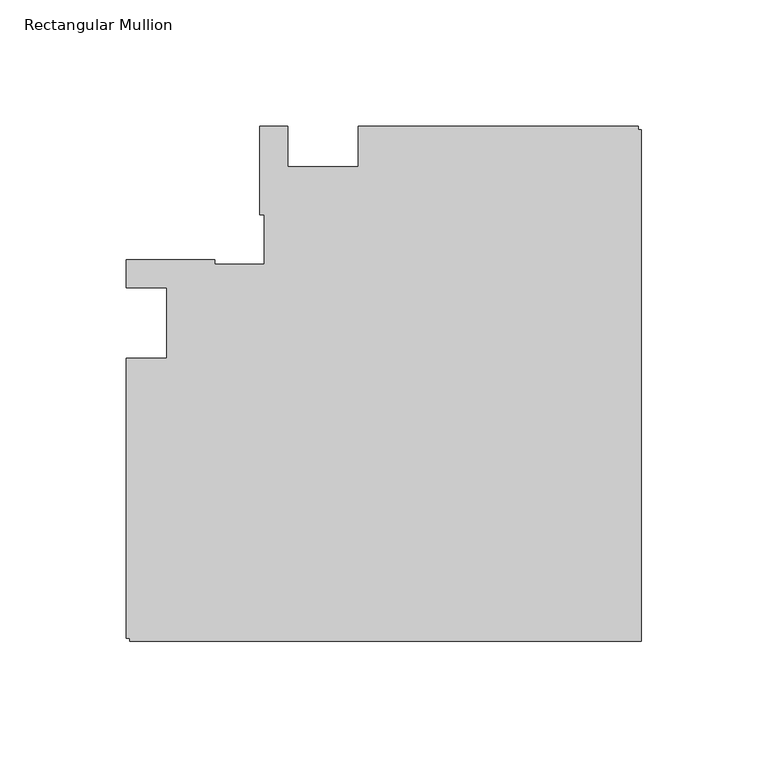
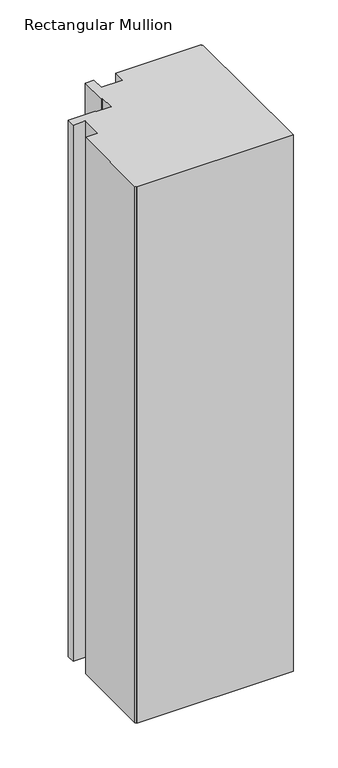
"""IFC4 building model written with IfcOpenShell, lengths in millimetres: member geometry, Rectangular Mullion."""

from ifc_helpers import new_model, si_unit, frame, origin, place, context, project, spatial, polyline, outline, extrude, source, transform, mapped, element, save


def rectangular_mullion_c2b5b50c(model_context):
    return source(origin(), model_context, "Body", "SweptSolid", [
        extrude(outline(polyline([(-112.2039366, 78.0481273), (-1.2039366, 78.0481273), (-1.2039366, 76.548142), (0.0, 76.548142), (0.0, -126.155816), (-202.703958, -126.155816), (-202.703958, -124.9518583), (-204.2039408, -124.9518583), (-204.2039408, -13.95177), (-188.2039146, -13.95177), (-188.2039146, 14.0481206), (-204.2039408, 14.0481206), (-204.2039408, 25.0481206), (-169.2039146, 25.0481206), (-169.2039146, 23.3589699), (-149.5136517, 23.3589699), (-149.5136517, 43.0481011), (-151.2040012, 43.0481011), (-151.2040012, 78.0480986), (-140.2039366, 78.0480986), (-140.2039366, 62.0480986), (-112.2039366, 62.0480986), (-112.2039366, 78.0481273)])), frame((0.0, 0.0, -735.0030172), z_axis=(0.0, 0.0, 1.0), x_axis=(1.0, 0.0, 0.0)), (0.0, 0.0, 1.0), 735.0030172),
    ])


if __name__ == "__main__":
    model = new_model("IFC4")
    model_context = context("Model", 3, world=origin())
    ifc_project = project(units=[si_unit("LENGTHUNIT", "METRE", prefix="MILLI")], contexts=[model_context])
    site = spatial("IfcSite", under=ifc_project)
    building = spatial("IfcBuilding", under=site)
    placement = place(None, origin())
    rectangular_mullion_shape = rectangular_mullion_c2b5b50c(model_context)
    element("IfcMember", 1, ObjectType="Rectangular Mullion", at=placement, inside=building, context=model_context, shape_type="MappedRepresentation", body=[
        mapped(rectangular_mullion_shape, transform((0.0, 0.0, 0.0), x_axis=(1.0, 0.0, 0.0), y_axis=(0.0, 1.0, 0.0), z_axis=(0.0, 0.0, 1.0))),
    ])
    save(model, "model.ifc")
